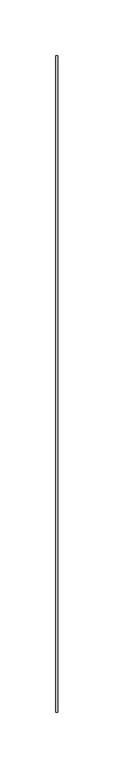
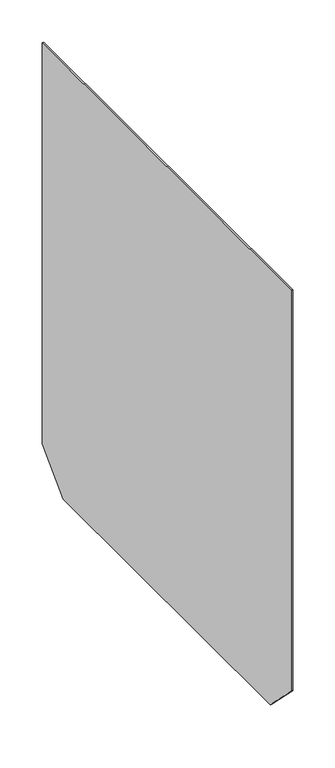
"""IFC4 building model written with IfcOpenShell, lengths in millimetres: proxy geometry."""

from ifc_helpers import new_model, si_unit, frame, origin, place, context, project, spatial, polyline, outline, extrude, source, transform, mapped, element, save


def generic_models_31c620cb(model_context):
    return source(origin(), model_context, "Body", "SweptSolid", [
        extrude(outline(polyline([(295.0, -580.0), (245.0, -630.0), (-245.0, -630.0), (-295.0, -580.0), (-295.0, 0.0), (295.0, 0.0), (295.0, -580.0)])), frame((0.0, 0.0, 0.0), z_axis=(1.0, 0.0, 0.0), x_axis=(0.0, 1.0, 0.0)), (0.0, 0.0, 1.0), 2.0),
    ])


if __name__ == "__main__":
    model = new_model("IFC4")
    model_context = context("Model", 3, world=origin())
    ifc_project = project(units=[si_unit("LENGTHUNIT", "METRE", prefix="MILLI")], contexts=[model_context])
    site = spatial("IfcSite", under=ifc_project)
    building = spatial("IfcBuilding", under=site)
    placement = place(None, origin())
    generic_models_shape = generic_models_31c620cb(model_context)
    element("IfcBuildingElementProxy", 1, Name="Generic Models", at=placement, inside=building, context=model_context, shape_type="MappedRepresentation", body=[
        mapped(generic_models_shape, transform((0.0, 0.0, 0.0), x_axis=(1.0, 0.0, 0.0), y_axis=(0.0, 1.0, 0.0), z_axis=(0.0, 0.0, 1.0))),
    ])
    save(model, "model.ifc")
